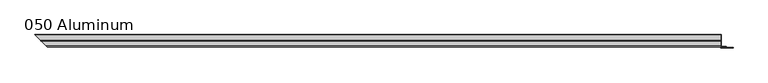
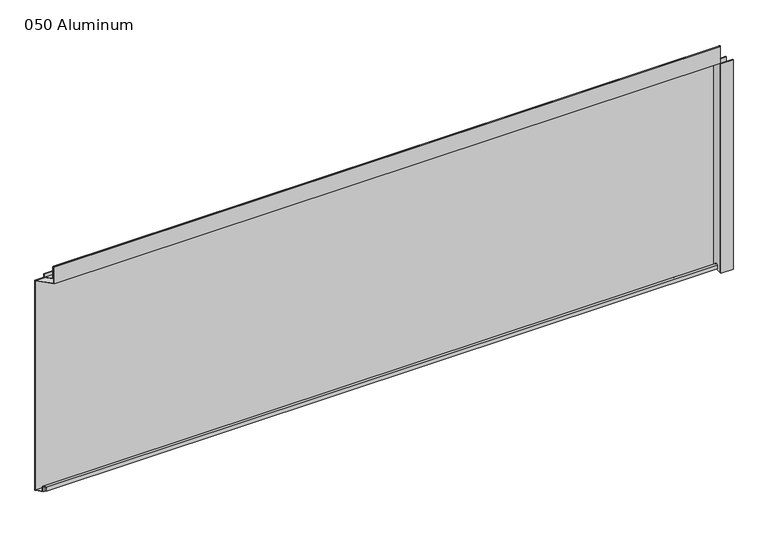
"""IFC4 building model written with IfcOpenShell, lengths in millimetres: plate geometry, 050 Aluminum."""

import ifcopenshell
import ifcopenshell.guid

model = None  # the IFC model being written
_history = None  # IfcOwnerHistory: only IFC2X3 demands one
_inside = {}  # id of a spatial element -> (the spatial element, [elements in it])
_under = {}  # id of a project, library or spatial element -> (it, [spatial elements below it])
_declared = {}  # id of a project -> (the project, [libraries it declares])
_typed = {}  # id of a type object -> (the type object, [elements of that type])
_made_of = {}  # id of a material, layer set ... -> (it, [elements and type objects made of it])


def new_model(schema):
    """Start an empty IFC model of exactly this schema.

    Asked for "IFC4X3", IfcOpenShell would pick the latest addendum, in which some entities
    have other attributes; the version numbers below select the first issue.
    IFC2X3 requires an IfcOwnerHistory on every rooted entity: one is made here for all.
    """
    global model, _history
    if schema == "IFC4X3":
        model = ifcopenshell.file(schema_version=(4, 3, 0, 0))
    else:
        model = ifcopenshell.file(schema=schema)
    _inside.clear()
    _under.clear()
    _declared.clear()
    _typed.clear()
    _made_of.clear()
    _history = None
    if model.schema == "IFC2X3":
        org = make("IfcOrganization", Name="unknown")
        user = make(
            "IfcPersonAndOrganization",
            ThePerson=make("IfcPerson", FamilyName="unknown"),
            TheOrganization=org,
        )
        app = make(
            "IfcApplication",
            ApplicationDeveloper=org,
            Version="unknown",
            ApplicationFullName="unknown",
            ApplicationIdentifier="unknown",
        )
        _history = make(
            "IfcOwnerHistory",
            OwningUser=user,
            OwningApplication=app,
            ChangeAction="ADDED",
            CreationDate=0,
        )
    return model


def make(cls, **values):
    """One entity of the class cls with the attributes given. An attribute that is None is left unset."""
    return model.create_entity(
        cls, **{name: value for name, value in values.items() if value is not None}
    )


def rooted(cls, **values):
    """An entity with a GlobalId (a new one), such as an element, a storey or a relation."""
    return make(cls, GlobalId=ifcopenshell.guid.new(), OwnerHistory=_history, **values)


def si_unit(unit_type, name, prefix=None):
    """IfcSIUnit, for example si_unit("LENGTHUNIT", "METRE", prefix="MILLI")."""
    return make("IfcSIUnit", UnitType=unit_type, Prefix=prefix, Name=name)


def assignment(units):
    """IfcUnitAssignment: the units of a project."""
    return None if units is None else make("IfcUnitAssignment", Units=units)


def point(xyz):
    """IfcCartesianPoint."""
    return None if xyz is None else make("IfcCartesianPoint", Coordinates=xyz)


def direction(xyz):
    """IfcDirection."""
    return None if xyz is None else make("IfcDirection", DirectionRatios=xyz)


def frame(location, z_axis=None, x_axis=None):
    """IfcAxis2Placement3D, a coordinate frame: its origin and axes. An axis left out is left unset."""
    return make(
        "IfcAxis2Placement3D",
        Location=point(location),
        Axis=direction(z_axis),
        RefDirection=direction(x_axis),
    )


def origin():
    """The frame at (0, 0, 0) with its axes left unset."""
    return frame((0.0, 0.0, 0.0))


def origin_with_axes():
    """The frame at (0, 0, 0) with the z axis (0, 0, 1) and the x axis (1, 0, 0) written out."""
    return frame((0.0, 0.0, 0.0), z_axis=(0.0, 0.0, 1.0), x_axis=(1.0, 0.0, 0.0))


def place(relative_to, where):
    """IfcLocalPlacement: puts the frame where relative to a parent placement (None: the world)."""
    return make(
        "IfcLocalPlacement", PlacementRelTo=relative_to, RelativePlacement=where
    )


def context(
    kind, dimensions, precision=None, world=None, true_north=None, identifier=None
):
    """IfcGeometricRepresentationContext, for example the 3D "Model" context."""
    return make(
        "IfcGeometricRepresentationContext",
        ContextIdentifier=identifier,
        ContextType=kind,
        CoordinateSpaceDimension=dimensions,
        Precision=precision,
        WorldCoordinateSystem=world,
        TrueNorth=true_north,
    )


def project(units=None, contexts=None):
    """IfcProject with its units and contexts."""
    return rooted(
        "IfcProject",
        Name="project",
        RepresentationContexts=contexts,
        UnitsInContext=assignment(units),
    )


def spatial(cls, under=None, at=None, **own):
    """A site, building, storey or space (cls), placed at a placement, below another one or the project."""
    s = rooted(cls, ObjectPlacement=at, **own)
    if under is not None:
        _under.setdefault(under.id(), (under, []))[1].append(s)
    return s


def polyline(points):
    """IfcPolyline through the points."""
    return make("IfcPolyline", Points=[point(p) for p in points])


def circle_curve(where, radius):
    """IfcCircle in the frame where."""
    return make("IfcCircle", Position=where, Radius=radius)


def ellipse_curve(where, semi_axis1, semi_axis2):
    """IfcEllipse in the frame where."""
    return make(
        "IfcEllipse", Position=where, SemiAxis1=semi_axis1, SemiAxis2=semi_axis2
    )


def outline(outer, holes=None, kind="AREA"):
    """IfcArbitraryClosedProfileDef: a profile drawn as a closed curve; with holes, ...WithVoids."""
    if holes is None:
        return make("IfcArbitraryClosedProfileDef", ProfileType=kind, OuterCurve=outer)
    return make(
        "IfcArbitraryProfileDefWithVoids",
        ProfileType=kind,
        OuterCurve=outer,
        InnerCurves=holes,
    )


def extrude(swept, where, along, depth):
    """IfcExtrudedAreaSolid: the profile swept, set in the frame where, extruded along a direction by depth."""
    return make(
        "IfcExtrudedAreaSolid",
        SweptArea=swept,
        Position=where,
        ExtrudedDirection=direction(along),
        Depth=depth,
    )


def shape(context_of_items, identifier, shape_type, items):
    """IfcShapeRepresentation: the items that make up one representation, for example the "Body"."""
    return make(
        "IfcShapeRepresentation",
        ContextOfItems=context_of_items,
        RepresentationIdentifier=identifier,
        RepresentationType=shape_type,
        Items=items,
    )


def source(mapping_origin, context_of_items, identifier, shape_type, items):
    """IfcRepresentationMap: a shape defined once, which mapped items show again and again."""
    return make(
        "IfcRepresentationMap",
        MappingOrigin=mapping_origin,
        MappedRepresentation=shape(context_of_items, identifier, shape_type, items),
    )


def transform(
    local_origin,
    x_axis=None,
    y_axis=None,
    z_axis=None,
    scale=None,
    scale2=None,
    scale3=None,
    uniform=True,
):
    """IfcCartesianTransformationOperator3D, or its non-uniform kind. x_axis, y_axis, z_axis: its Axis1, 2, 3."""
    if uniform:
        return make(
            "IfcCartesianTransformationOperator3D",
            Axis1=direction(x_axis),
            Axis2=direction(y_axis),
            LocalOrigin=point(local_origin),
            Scale=scale,
            Axis3=direction(z_axis),
        )
    return make(
        "IfcCartesianTransformationOperator3DnonUniform",
        Axis1=direction(x_axis),
        Axis2=direction(y_axis),
        LocalOrigin=point(local_origin),
        Scale=scale,
        Axis3=direction(z_axis),
        Scale2=scale2,
        Scale3=scale3,
    )


def mapped(mapping_source, mapping_target):
    """IfcMappedItem: shows the shape of a source again, moved by a transform."""
    return make(
        "IfcMappedItem", MappingSource=mapping_source, MappingTarget=mapping_target
    )


def made_of(thing, what):
    """Note that an element or type object is made of a material, layer set ...; save() writes the relation."""
    if what is not None:
        _made_of.setdefault(what.id(), (what, []))[1].append(thing)
    return thing


def element(
    cls,
    number,
    at=None,
    inside=None,
    cuts=None,
    type_object=None,
    material=None,
    context=None,
    identifier="Body",
    shape_type=None,
    held_by="IfcProductDefinitionShape",
    body=None,
    shapes=None,
    **own,
):
    """One element of the class cls, such as IfcWall. Its Tag is "e" and its number.

    at: its placement. inside: the storey or other place that contains it. cuts: it is an
    opening in that element (IfcRelVoidsElement). A single representation is given by context,
    identifier, shape_type and body (its items); several are given by shapes. held_by: the class
    of the entity that holds the representations. save() writes the other relations.
    """
    e = rooted(cls, Tag="e%d" % number, ObjectPlacement=at, **own)
    if body is not None:
        shapes = [shape(context, identifier, shape_type, body)]
    if shapes is not None:
        e.Representation = make(held_by, Representations=shapes)
    if inside is not None:
        _inside.setdefault(inside.id(), (inside, []))[1].append(e)
    if cuts is not None:
        rooted(
            "IfcRelVoidsElement", RelatingBuildingElement=cuts, RelatedOpeningElement=e
        )
    if type_object is not None:
        _typed.setdefault(type_object.id(), (type_object, []))[1].append(e)
    return made_of(e, material)


def aggregate(whole, parts):
    """IfcRelAggregates: a whole, such as a stair, and the parts it consists of."""
    return rooted("IfcRelAggregates", RelatingObject=whole, RelatedObjects=parts)


def save(model, path):
    """Write the relations noted so far, then the file.

    IfcRelAggregates (storeys below a building ...), IfcRelContainedInSpatialStructure (elements
    in a storey), IfcRelDefinesByType, IfcRelAssociatesMaterial and IfcRelDeclares: one each for
    every whole, place, type object, material and project.
    """
    for whole, parts in _under.values():
        aggregate(whole, parts)
    for where, things in _inside.values():
        rooted(
            "IfcRelContainedInSpatialStructure",
            RelatedElements=things,
            RelatingStructure=where,
        )
    for kind, things in _typed.values():
        rooted("IfcRelDefinesByType", RelatedObjects=things, RelatingType=kind)
    for what, things in _made_of.values():
        rooted("IfcRelAssociatesMaterial", RelatedObjects=things, RelatingMaterial=what)
    for by, libraries in _declared.values():
        rooted("IfcRelDeclares", RelatingContext=by, RelatedDefinitions=libraries)
    model.write(path)


def plane_surface(at):
    """IfcPlane: the flat surface through the origin of the frame at, square to its z axis."""
    return make("IfcPlane", Position=at)


def cylinder_surface(at, radius):
    """IfcCylindricalSurface: all points at the distance radius from the z axis of the frame at."""
    return make("IfcCylindricalSurface", Position=at, Radius=radius)


def revolved_surface(curve, axis_point, axis_direction):
    """IfcSurfaceOfRevolution: the curve turned about the line through axis_point along axis_direction."""
    return make(
        "IfcSurfaceOfRevolution",
        SweptCurve=make("IfcArbitraryOpenProfileDef", ProfileType="CURVE", Curve=curve),
        AxisPosition=make("IfcAxis1Placement", Location=point(axis_point), Axis=direction(axis_direction)),
    )


def advanced_brep(points, edges, surfaces, faces):
    """IfcAdvancedBrep: a solid bounded by faces that lie on surfaces and meet in shared edges.

    An edge is (start, end): straight between two places in points (the first is 0);
    or (start, end, curve); or (start, end, curve, False) where it runs against its curve.
    A face is (place in surfaces, loops), or (place, loops, False) where it looks against
    its surface's normal. A loop lists edges by number (the first is 1), with a minus sign
    where the edge is run from its end to its start. The first loop is the outer one.
    """
    corners = [point(p) for p in points]
    vertices = [make("IfcVertexPoint", VertexGeometry=c) for c in corners]
    made = []
    for start, end, *more in edges:
        made.append(
            make(
                "IfcEdgeCurve",
                EdgeStart=vertices[start],
                EdgeEnd=vertices[end],
                EdgeGeometry=more[0] if more else make("IfcPolyline", Points=[corners[start], corners[end]]),
                SameSense=more[1] if len(more) > 1 else True,
            )
        )
    hull = []
    for where, loops, *sense in faces:
        bounds = []
        for j, loop in enumerate(loops):
            ring = [make("IfcOrientedEdge", EdgeElement=made[abs(k) - 1], Orientation=k > 0) for k in loop]
            bounds.append(
                make(
                    "IfcFaceOuterBound" if j == 0 else "IfcFaceBound",
                    Bound=make("IfcEdgeLoop", EdgeList=ring),
                    Orientation=True,
                )
            )
        hull.append(make("IfcAdvancedFace", Bounds=bounds, FaceSurface=surfaces[where], SameSense=sense[0] if sense else True))
    return make("IfcAdvancedBrep", Outer=make("IfcClosedShell", CfsFaces=hull))


def plate_050_aluminum_19b9179b(model_context):
    return source(origin(), model_context, "Body", "SolidModel", [
        advanced_brep(
        [(906.7800002, 16.6765477, 13.1458337), (906.7800002, 16.6765477, 2.786437), (906.7800002, 17.9464915, 2.786437), (906.7800002, 17.9464915, 13.1323356), (906.7800002, 21.7564743, 13.124237), (906.7800002, 21.7564743, 0.0), (906.7800002, 34.7980002, 0.0), (906.7800002, 34.7980002, 1.2693678), (906.7800002, 23.0264743, 1.2693678), (906.7800002, 23.0264743, 13.124237), (-937.4265479, 16.6765477, 13.1458337), (-937.4265479, 16.6765477, 2.786437), (-938.6964916, 17.9464915, 2.786437), (-938.6964916, 17.9464915, 13.1323356), (-942.5064744, 21.7564743, 13.124237), (-942.5064744, 21.7564743, 0.0), (-955.5480002, 34.798, 0.0), (-955.5480003, 34.7980002, 1.2693678), (-943.7764744, 23.0264743, 1.2693678), (-943.7764744, 23.0264743, 13.124237)],
        [
            (0, 1),
            (1, 2),
            (2, 3),
            (3, 4, circle_curve(frame((906.7800002, 19.8514743, 13.124237), z_axis=(-1.0, 0.0, 0.0), x_axis=(0.0, 0.0, -1.0)), 1.905)),
            (4, 5),
            (5, 6),
            (6, 7),
            (7, 8),
            (8, 9),
            (9, 0, circle_curve(frame((906.7800002, 19.8514743, 13.124237), z_axis=(1.0, 0.0, 0.0), x_axis=(0.0, 0.0, -1.0)), 3.175)),
            (0, 10),
            (10, 11),
            (11, 1),
            (11, 12),
            (12, 2),
            (12, 13),
            (13, 3),
            (13, 14, ellipse_curve(frame((-940.6014744, 19.8514743, 13.124237), z_axis=(-0.7071067811865466, -0.7071067811865485, 0.0), x_axis=(0.7071067811865485, -0.7071067811865466, 0.0)), 2.6940768, 1.905)),
            (14, 4),
            (14, 15),
            (15, 5),
            (15, 16),
            (16, 6),
            (16, 17),
            (17, 7),
            (17, 18),
            (18, 8),
            (18, 19),
            (19, 9),
            (19, 10, ellipse_curve(frame((-940.6014744, 19.8514743, 13.124237), z_axis=(0.7071067811865466, 0.7071067811865485, 0.0), x_axis=(-0.7071067811865485, 0.7071067811865466, 0.0)), 4.4901281, 3.175)),
        ],
        [
            plane_surface(frame((906.7800002, 36.068, 0.0), z_axis=(1.0, 0.0, 0.0), x_axis=(0.0, 0.0, 1.0))),
            plane_surface(frame((-955.5480002, 16.6765477, 13.1458337), z_axis=(0.0, -1.0, 0.0), x_axis=(1.0, 0.0, 0.0))),
            plane_surface(frame((-955.5480002, 16.6765477, 2.786437), z_axis=(0.0, 0.0, -1.0), x_axis=(1.0, 0.0, 0.0))),
            plane_surface(frame((-955.5480002, 17.9464915, 2.786437), z_axis=(0.0, 1.0, 0.0), x_axis=(1.0, 0.0, 0.0))),
            revolved_surface(polyline([(906.7800002, 19.8514743, 11.219237000000001), (-942.5064744, 19.8514743, 11.219237000000001)]), (-955.5480002, 19.8514743, 13.124237), (1.0, 0.0, 0.0)),
            plane_surface(frame((-955.5480002, 21.7564743, 13.124237), z_axis=(0.0, -1.0, 0.0), x_axis=(1.0, 0.0, 0.0))),
            plane_surface(frame((-955.5480002, 21.7564743, 0.0), z_axis=(0.0, 0.0, -1.0), x_axis=(1.0, 0.0, 0.0))),
            plane_surface(frame((-955.5480002, 34.7980002, 0.0), z_axis=(0.0, 1.0, 0.0), x_axis=(1.0, 0.0, 0.0))),
            plane_surface(frame((-955.5480002, 34.7980002, 1.2693678), z_axis=(0.0, 0.0, 1.0), x_axis=(1.0, 0.0, 0.0))),
            plane_surface(frame((-955.5480002, 23.0264743, 1.2693678), z_axis=(0.0, 1.0, 0.0), x_axis=(1.0, 0.0, 0.0))),
            cylinder_surface(frame((-955.5480002, 19.8514743, 13.124237), z_axis=(-1.0, 0.0, 0.0), x_axis=(0.0, 0.0, -1.0)), 3.175),
            plane_surface(frame((-956.8180002, 36.068, 795.4549971), z_axis=(-0.7071067811865466, -0.7071067811865485, 0.0), x_axis=(0.0, 0.0, -1.0))),
        ],
        [
            (0, [[1, 2, 3, 4, 5, 6, 7, 8, 9, 10]]),
            (1, [[11, 12, 13, -1]]),
            (2, [[-13, 14, 15, -2]]),
            (3, [[-15, 16, 17, -3]]),
            (4, [[-17, 18, 19, -4]]),
            (5, [[-19, 20, 21, -5]]),
            (6, [[-21, 22, 23, -6]]),
            (7, [[-23, 24, 25, -7]]),
            (8, [[-25, 26, 27, -8]]),
            (9, [[-27, 28, 29, -9]]),
            (10, [[-29, 30, -11, -10]]),
            (11, [[-30, -28, -26, -24, -22, -20, -18, -16, -14, -12]]),
        ],
    ),
        advanced_brep(
        [(906.7800002, 2.0574743, 656.7932001), (906.7800002, 2.0574743, 608.33), (906.7800002, 34.7980002, 608.33), (906.7800002, 34.7980002, 609.6000001), (906.7800002, 3.3274743, 609.6000001), (906.7800002, 3.3274743, 656.7932001), (906.7800002, 4.0894742, 656.7932001), (906.7800002, 4.0894742, 622.3), (906.7800002, 20.4864742, 622.3), (906.7800002, 20.4864742, 633.6538), (906.7800002, 19.2164743, 633.6538), (906.7800002, 19.2164743, 623.57), (906.7800002, 5.3594742, 623.57), (906.7800002, 5.3594742, 656.7932001), (-922.8074744, 2.0574743, 656.7932001), (-922.8074744, 2.0574743, 608.33), (-955.5480002, 34.798, 608.33), (-955.5480003, 34.7980002, 609.6000001), (-924.0774744, 3.3274743, 609.6000001), (-924.0774744, 3.3274743, 656.7932001), (-924.8394743, 4.0894742, 656.7932001), (-924.8394743, 4.0894742, 622.3), (-941.2364744, 20.4864742, 622.3), (-941.2364744, 20.4864742, 633.6538), (-939.9664745, 19.2164743, 633.6538), (-939.9664745, 19.2164743, 623.57), (-926.1094743, 5.3594742, 623.57), (-926.1094743, 5.3594742, 656.7932001)],
        [
            (0, 1),
            (1, 2),
            (2, 3),
            (3, 4),
            (4, 5),
            (5, 6, circle_curve(frame((906.7800002, 3.7084742, 656.7932001), z_axis=(-1.0, 0.0, 0.0), x_axis=(0.0, 0.0, -1.0)), 0.3809999)),
            (6, 7),
            (7, 8),
            (8, 9),
            (9, 10),
            (10, 11),
            (11, 12),
            (12, 13),
            (13, 0, circle_curve(frame((906.7800002, 3.7084742, 656.7932001), z_axis=(1.0, 0.0, 0.0), x_axis=(0.0, 0.0, -1.0)), 1.6509999)),
            (0, 14),
            (14, 15),
            (15, 1),
            (15, 16),
            (16, 2),
            (16, 17),
            (17, 3),
            (17, 18),
            (18, 4),
            (18, 19),
            (19, 5),
            (19, 20, ellipse_curve(frame((-924.4584744, 3.7084742, 656.7932001), z_axis=(-0.7071067811865466, -0.7071067811865485, 0.0), x_axis=(0.7071067811865485, -0.7071067811865466, 0.0)), 0.5388153, 0.3809999)),
            (20, 6),
            (20, 21),
            (21, 7),
            (21, 22),
            (22, 8),
            (22, 23),
            (23, 9),
            (23, 24),
            (24, 10),
            (24, 25),
            (25, 11),
            (25, 26),
            (26, 12),
            (26, 27),
            (27, 13),
            (27, 14, ellipse_curve(frame((-924.4584744, 3.7084742, 656.7932001), z_axis=(0.7071067811865466, 0.7071067811865485, 0.0), x_axis=(-0.7071067811865485, 0.7071067811865466, 0.0)), 2.3348665, 1.6509999)),
        ],
        [
            plane_surface(frame((906.7800002, 36.068, 609.6), z_axis=(1.0, 0.0, 0.0), x_axis=(0.0, 0.0, 1.0))),
            plane_surface(frame((-955.5480002, 2.0574743, 656.7932001), z_axis=(0.0, -1.0, 0.0), x_axis=(1.0, 0.0, 0.0))),
            plane_surface(frame((-955.5480002, 2.0574743, 608.33), z_axis=(0.0, 0.0, -1.0), x_axis=(1.0, 0.0, 0.0))),
            plane_surface(frame((-955.5480002, 34.7980002, 608.33), z_axis=(0.0, 1.0, 0.0), x_axis=(1.0, 0.0, 0.0))),
            plane_surface(frame((-955.5480002, 34.7980002, 609.6000001), z_axis=(0.0, 0.0, 1.0), x_axis=(1.0, 0.0, 0.0))),
            plane_surface(frame((-955.5480002, 3.3274743, 609.6000001), z_axis=(0.0, 1.0, 0.0), x_axis=(1.0, 0.0, 0.0))),
            revolved_surface(polyline([(906.7800002, 3.7084742, 656.4122002), (-924.839474352437, 3.7084742, 656.4122002)]), (-955.5480002, 3.7084742, 656.7932001), (1.0, 0.0, 0.0)),
            plane_surface(frame((-955.5480002, 4.0894742, 656.7932001), z_axis=(0.0, -1.0, 0.0), x_axis=(1.0, 0.0, 0.0))),
            plane_surface(frame((-955.5480002, 4.0894742, 622.3), z_axis=(0.0, 0.0, -1.0), x_axis=(1.0, 0.0, 0.0))),
            plane_surface(frame((-955.5480002, 20.4864742, 622.3), z_axis=(0.0, 1.0, 0.0), x_axis=(1.0, 0.0, 0.0))),
            plane_surface(frame((-955.5480002, 20.4864742, 633.6538), z_axis=(0.0, 0.0, 1.0), x_axis=(1.0, 0.0, 0.0))),
            plane_surface(frame((-955.5480002, 19.2164743, 633.6538), z_axis=(0.0, -1.0, 0.0), x_axis=(1.0, 0.0, 0.0))),
            plane_surface(frame((-955.5480002, 19.2164743, 623.57), z_axis=(0.0, 0.0, 1.0), x_axis=(1.0, 0.0, 0.0))),
            plane_surface(frame((-955.5480002, 5.3594742, 623.57), z_axis=(0.0, 1.0, 0.0), x_axis=(1.0, 0.0, 0.0))),
            cylinder_surface(frame((-955.5480002, 3.7084742, 656.7932001), z_axis=(-1.0, 0.0, 0.0), x_axis=(0.0, 0.0, -1.0)), 1.6509999),
            plane_surface(frame((-956.8180002, 36.068, 795.4549971), z_axis=(-0.7071067811865466, -0.7071067811865485, 0.0), x_axis=(0.0, 0.0, -1.0))),
        ],
        [
            (0, [[1, 2, 3, 4, 5, 6, 7, 8, 9, 10, 11, 12, 13, 14]]),
            (1, [[15, 16, 17, -1]]),
            (2, [[-17, 18, 19, -2]]),
            (3, [[-19, 20, 21, -3]]),
            (4, [[-21, 22, 23, -4]]),
            (5, [[-23, 24, 25, -5]]),
            (6, [[-25, 26, 27, -6]]),
            (7, [[-27, 28, 29, -7]]),
            (8, [[-29, 30, 31, -8]]),
            (9, [[-31, 32, 33, -9]]),
            (10, [[-33, 34, 35, -10]]),
            (11, [[-35, 36, 37, -11]]),
            (12, [[-37, 38, 39, -12]]),
            (13, [[-39, 40, 41, -13]]),
            (14, [[-41, 42, -15, -14]]),
            (15, [[-42, -40, -38, -36, -34, -32, -30, -28, -26, -24, -22, -20, -18, -16]]),
        ],
    ),
        extrude(outline(polyline([(908.0500002, 34.7980001), (-955.5480002, 34.7980001), (-956.8180002, 36.068), (908.0500002, 36.068), (908.0500002, 34.7980001)])), origin_with_axes(), (0.0, 0.0, 1.0), 609.6),
        extrude(outline(polyline([(908.0500002, 1.2699999), (940.5620858, 1.2699999), (940.5620858, 0.0), (906.7800002, 0.0), (906.7800002, 34.7980002), (908.0500002, 34.7980002), (908.0500002, 1.2699999)])), origin_with_axes(), (0.0, 0.0, 1.0), 608.33),
        extrude(outline(polyline([(906.7800002, 3.3274743), (922.5280001, 3.3274743), (922.5280001, 2.0574743), (906.7800002, 2.0574743), (906.7800002, 3.3274743)])), origin_with_axes(), (0.0, 0.0, 1.0), 622.3),
    ])


if __name__ == "__main__":
    model = new_model("IFC4")
    model_context = context("Model", 3, world=origin())
    ifc_project = project(units=[si_unit("LENGTHUNIT", "METRE", prefix="MILLI")], contexts=[model_context])
    site = spatial("IfcSite", under=ifc_project)
    building = spatial("IfcBuilding", under=site)
    placement = place(None, origin())
    plate_050_aluminum_shape = plate_050_aluminum_19b9179b(model_context)
    element("IfcPlate", 1, ObjectType="050 Aluminum", at=placement, inside=building, context=model_context, shape_type="MappedRepresentation", body=[
        mapped(plate_050_aluminum_shape, transform((0.0, 0.0, 0.0), x_axis=(1.0, 0.0, 0.0), y_axis=(0.0, 1.0, 0.0), z_axis=(0.0, 0.0, 1.0))),
    ])
    save(model, "model.ifc")
